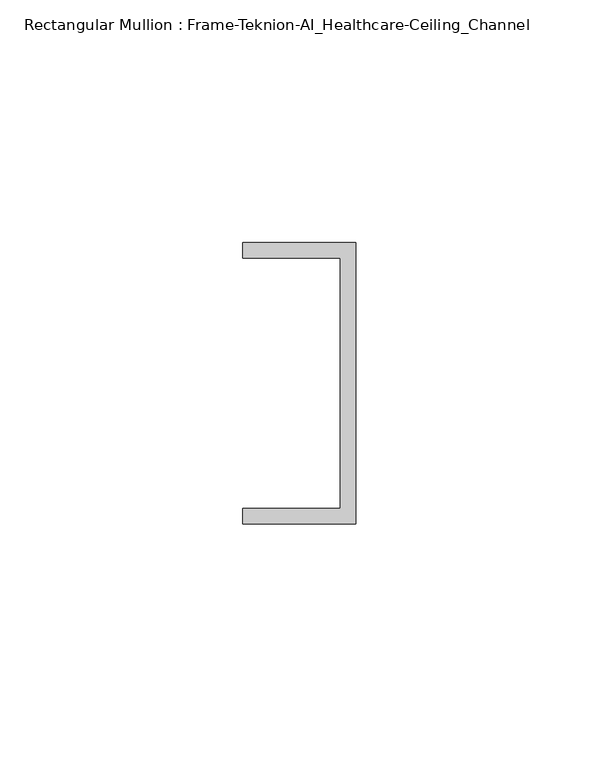
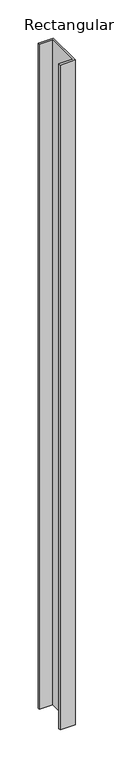
"""IFC4 building model written with IfcOpenShell, lengths in millimetres: member geometry, Rectangular Mullion : Frame-Teknion-AI_Healthcare-Ceiling_Channel."""

import ifcopenshell
import ifcopenshell.guid

model = None  # the IFC model being written
_history = None  # IfcOwnerHistory: only IFC2X3 demands one
_inside = {}  # id of a spatial element -> (the spatial element, [elements in it])
_under = {}  # id of a project, library or spatial element -> (it, [spatial elements below it])
_declared = {}  # id of a project -> (the project, [libraries it declares])
_typed = {}  # id of a type object -> (the type object, [elements of that type])
_made_of = {}  # id of a material, layer set ... -> (it, [elements and type objects made of it])


def new_model(schema):
    """Start an empty IFC model of exactly this schema.

    Asked for "IFC4X3", IfcOpenShell would pick the latest addendum, in which some entities
    have other attributes; the version numbers below select the first issue.
    IFC2X3 requires an IfcOwnerHistory on every rooted entity: one is made here for all.
    """
    global model, _history
    if schema == "IFC4X3":
        model = ifcopenshell.file(schema_version=(4, 3, 0, 0))
    else:
        model = ifcopenshell.file(schema=schema)
    _inside.clear()
    _under.clear()
    _declared.clear()
    _typed.clear()
    _made_of.clear()
    _history = None
    if model.schema == "IFC2X3":
        org = make("IfcOrganization", Name="unknown")
        user = make(
            "IfcPersonAndOrganization",
            ThePerson=make("IfcPerson", FamilyName="unknown"),
            TheOrganization=org,
        )
        app = make(
            "IfcApplication",
            ApplicationDeveloper=org,
            Version="unknown",
            ApplicationFullName="unknown",
            ApplicationIdentifier="unknown",
        )
        _history = make(
            "IfcOwnerHistory",
            OwningUser=user,
            OwningApplication=app,
            ChangeAction="ADDED",
            CreationDate=0,
        )
    return model


def make(cls, **values):
    """One entity of the class cls with the attributes given. An attribute that is None is left unset."""
    return model.create_entity(
        cls, **{name: value for name, value in values.items() if value is not None}
    )


def rooted(cls, **values):
    """An entity with a GlobalId (a new one), such as an element, a storey or a relation."""
    return make(cls, GlobalId=ifcopenshell.guid.new(), OwnerHistory=_history, **values)


def si_unit(unit_type, name, prefix=None):
    """IfcSIUnit, for example si_unit("LENGTHUNIT", "METRE", prefix="MILLI")."""
    return make("IfcSIUnit", UnitType=unit_type, Prefix=prefix, Name=name)


def assignment(units):
    """IfcUnitAssignment: the units of a project."""
    return None if units is None else make("IfcUnitAssignment", Units=units)


def point(xyz):
    """IfcCartesianPoint."""
    return None if xyz is None else make("IfcCartesianPoint", Coordinates=xyz)


def direction(xyz):
    """IfcDirection."""
    return None if xyz is None else make("IfcDirection", DirectionRatios=xyz)


def frame(location, z_axis=None, x_axis=None):
    """IfcAxis2Placement3D, a coordinate frame: its origin and axes. An axis left out is left unset."""
    return make(
        "IfcAxis2Placement3D",
        Location=point(location),
        Axis=direction(z_axis),
        RefDirection=direction(x_axis),
    )


def origin():
    """The frame at (0, 0, 0) with its axes left unset."""
    return frame((0.0, 0.0, 0.0))


def place(relative_to, where):
    """IfcLocalPlacement: puts the frame where relative to a parent placement (None: the world)."""
    return make(
        "IfcLocalPlacement", PlacementRelTo=relative_to, RelativePlacement=where
    )


def context(
    kind, dimensions, precision=None, world=None, true_north=None, identifier=None
):
    """IfcGeometricRepresentationContext, for example the 3D "Model" context."""
    return make(
        "IfcGeometricRepresentationContext",
        ContextIdentifier=identifier,
        ContextType=kind,
        CoordinateSpaceDimension=dimensions,
        Precision=precision,
        WorldCoordinateSystem=world,
        TrueNorth=true_north,
    )


def project(units=None, contexts=None):
    """IfcProject with its units and contexts."""
    return rooted(
        "IfcProject",
        Name="project",
        RepresentationContexts=contexts,
        UnitsInContext=assignment(units),
    )


def spatial(cls, under=None, at=None, **own):
    """A site, building, storey or space (cls), placed at a placement, below another one or the project."""
    s = rooted(cls, ObjectPlacement=at, **own)
    if under is not None:
        _under.setdefault(under.id(), (under, []))[1].append(s)
    return s


def polyline(points):
    """IfcPolyline through the points."""
    return make("IfcPolyline", Points=[point(p) for p in points])


def outline(outer, holes=None, kind="AREA"):
    """IfcArbitraryClosedProfileDef: a profile drawn as a closed curve; with holes, ...WithVoids."""
    if holes is None:
        return make("IfcArbitraryClosedProfileDef", ProfileType=kind, OuterCurve=outer)
    return make(
        "IfcArbitraryProfileDefWithVoids",
        ProfileType=kind,
        OuterCurve=outer,
        InnerCurves=holes,
    )


def extrude(swept, where, along, depth):
    """IfcExtrudedAreaSolid: the profile swept, set in the frame where, extruded along a direction by depth."""
    return make(
        "IfcExtrudedAreaSolid",
        SweptArea=swept,
        Position=where,
        ExtrudedDirection=direction(along),
        Depth=depth,
    )


def shape(context_of_items, identifier, shape_type, items):
    """IfcShapeRepresentation: the items that make up one representation, for example the "Body"."""
    return make(
        "IfcShapeRepresentation",
        ContextOfItems=context_of_items,
        RepresentationIdentifier=identifier,
        RepresentationType=shape_type,
        Items=items,
    )


def source(mapping_origin, context_of_items, identifier, shape_type, items):
    """IfcRepresentationMap: a shape defined once, which mapped items show again and again."""
    return make(
        "IfcRepresentationMap",
        MappingOrigin=mapping_origin,
        MappedRepresentation=shape(context_of_items, identifier, shape_type, items),
    )


def transform(
    local_origin,
    x_axis=None,
    y_axis=None,
    z_axis=None,
    scale=None,
    scale2=None,
    scale3=None,
    uniform=True,
):
    """IfcCartesianTransformationOperator3D, or its non-uniform kind. x_axis, y_axis, z_axis: its Axis1, 2, 3."""
    if uniform:
        return make(
            "IfcCartesianTransformationOperator3D",
            Axis1=direction(x_axis),
            Axis2=direction(y_axis),
            LocalOrigin=point(local_origin),
            Scale=scale,
            Axis3=direction(z_axis),
        )
    return make(
        "IfcCartesianTransformationOperator3DnonUniform",
        Axis1=direction(x_axis),
        Axis2=direction(y_axis),
        LocalOrigin=point(local_origin),
        Scale=scale,
        Axis3=direction(z_axis),
        Scale2=scale2,
        Scale3=scale3,
    )


def mapped(mapping_source, mapping_target):
    """IfcMappedItem: shows the shape of a source again, moved by a transform."""
    return make(
        "IfcMappedItem", MappingSource=mapping_source, MappingTarget=mapping_target
    )


def made_of(thing, what):
    """Note that an element or type object is made of a material, layer set ...; save() writes the relation."""
    if what is not None:
        _made_of.setdefault(what.id(), (what, []))[1].append(thing)
    return thing


def element(
    cls,
    number,
    at=None,
    inside=None,
    cuts=None,
    type_object=None,
    material=None,
    context=None,
    identifier="Body",
    shape_type=None,
    held_by="IfcProductDefinitionShape",
    body=None,
    shapes=None,
    **own,
):
    """One element of the class cls, such as IfcWall. Its Tag is "e" and its number.

    at: its placement. inside: the storey or other place that contains it. cuts: it is an
    opening in that element (IfcRelVoidsElement). A single representation is given by context,
    identifier, shape_type and body (its items); several are given by shapes. held_by: the class
    of the entity that holds the representations. save() writes the other relations.
    """
    e = rooted(cls, Tag="e%d" % number, ObjectPlacement=at, **own)
    if body is not None:
        shapes = [shape(context, identifier, shape_type, body)]
    if shapes is not None:
        e.Representation = make(held_by, Representations=shapes)
    if inside is not None:
        _inside.setdefault(inside.id(), (inside, []))[1].append(e)
    if cuts is not None:
        rooted(
            "IfcRelVoidsElement", RelatingBuildingElement=cuts, RelatedOpeningElement=e
        )
    if type_object is not None:
        _typed.setdefault(type_object.id(), (type_object, []))[1].append(e)
    return made_of(e, material)


def aggregate(whole, parts):
    """IfcRelAggregates: a whole, such as a stair, and the parts it consists of."""
    return rooted("IfcRelAggregates", RelatingObject=whole, RelatedObjects=parts)


def save(model, path):
    """Write the relations noted so far, then the file.

    IfcRelAggregates (storeys below a building ...), IfcRelContainedInSpatialStructure (elements
    in a storey), IfcRelDefinesByType, IfcRelAssociatesMaterial and IfcRelDeclares: one each for
    every whole, place, type object, material and project.
    """
    for whole, parts in _under.values():
        aggregate(whole, parts)
    for where, things in _inside.values():
        rooted(
            "IfcRelContainedInSpatialStructure",
            RelatedElements=things,
            RelatingStructure=where,
        )
    for kind, things in _typed.values():
        rooted("IfcRelDefinesByType", RelatedObjects=things, RelatingType=kind)
    for what, things in _made_of.values():
        rooted("IfcRelAssociatesMaterial", RelatedObjects=things, RelatingMaterial=what)
    for by, libraries in _declared.values():
        rooted("IfcRelDeclares", RelatingContext=by, RelatedDefinitions=libraries)
    model.write(path)


def rectangular_mullion_frame_teknion_ai_healthcare_ceiling_0352b96c(model_context):
    return source(origin(), model_context, "Body", "SweptSolid", [
        extrude(outline(polyline([(0.0, 29.0214844), (0.0, -29.0214844), (-23.3164063, -29.0214844), (-23.3164063, -25.8464844), (-3.175, -25.8464844), (-3.175, 25.8464844), (-23.3164063, 25.8464844), (-23.3164063, 29.0214844), (0.0, 29.0214844)])), frame((0.0, 0.0, -1066.8), z_axis=(0.0, 0.0, 1.0), x_axis=(1.0, 0.0, 0.0)), (0.0, 0.0, 1.0), 1066.8),
    ])


if __name__ == "__main__":
    model = new_model("IFC4")
    model_context = context("Model", 3, world=origin())
    ifc_project = project(units=[si_unit("LENGTHUNIT", "METRE", prefix="MILLI")], contexts=[model_context])
    site = spatial("IfcSite", under=ifc_project)
    building = spatial("IfcBuilding", under=site)
    placement = place(None, origin())
    rectangular_mullion_frame_teknion_ai_healthcare_ceiling_shape = rectangular_mullion_frame_teknion_ai_healthcare_ceiling_0352b96c(model_context)
    element("IfcMember", 1, ObjectType="Rectangular Mullion : Frame-Teknion-AI_Healthcare-Ceiling_Channel", at=placement, inside=building, context=model_context, shape_type="MappedRepresentation", body=[
        mapped(rectangular_mullion_frame_teknion_ai_healthcare_ceiling_shape, transform((0.0, 0.0, 0.0), x_axis=(1.0, 0.0, 0.0), y_axis=(0.0, 1.0, 0.0), z_axis=(0.0, 0.0, 1.0))),
    ])
    save(model, "model.ifc")
